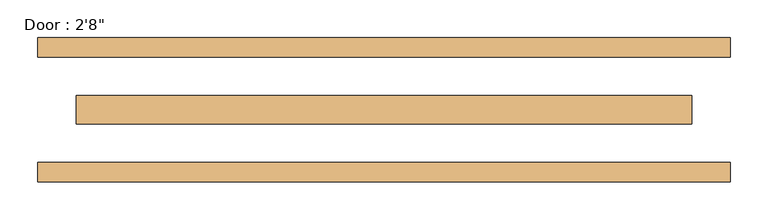
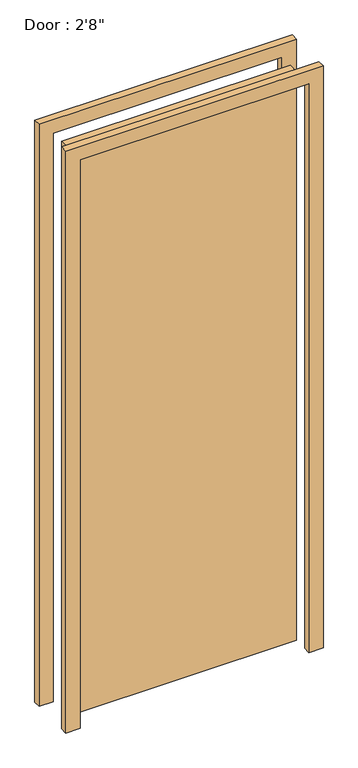
"""IFC4 building model written with IfcOpenShell, lengths in millimetres: door geometry."""

from ifc_helpers import new_model, si_unit, frame, origin, origin_with_axes, place, context, project, spatial, polyline, outline, extrude, source, transform, mapped, element, save


def door_e0c7cad0(model_context):
    return source(origin(), model_context, "Body", "SweptSolid", [
        extrude(outline(polyline([(-406.4, 19.05), (406.4, 19.05), (406.4, -19.05), (-406.4, -19.05), (-406.4, 19.05)])), origin_with_axes(), (0.0, 0.0, 1.0), 2133.6),
        extrude(outline(polyline([(2133.6, -406.4), (2133.6, 406.4), (0.0, 406.4), (0.0, 457.2), (2184.4, 457.2), (2184.4, -457.2), (0.0, -457.2), (0.0, -406.4), (2133.6, -406.4)])), frame((0.0, -95.25, 0.0), z_axis=(0.0, 1.0, 0.0), x_axis=(0.0, 0.0, 1.0)), (0.0, 0.0, 1.0), 25.4),
        extrude(outline(polyline([(2133.6, -406.4), (2133.6, 406.4), (0.0, 406.4), (0.0, 457.2), (2184.4, 457.2), (2184.4, -457.2), (0.0, -457.2), (0.0, -406.4), (2133.6, -406.4)])), frame((0.0, 69.85, 0.0), z_axis=(0.0, 1.0, 0.0), x_axis=(0.0, 0.0, 1.0)), (0.0, 0.0, 1.0), 25.4),
    ])


if __name__ == "__main__":
    model = new_model("IFC4")
    model_context = context("Model", 3, world=origin())
    ifc_project = project(units=[si_unit("LENGTHUNIT", "METRE", prefix="MILLI")], contexts=[model_context])
    site = spatial("IfcSite", under=ifc_project)
    building = spatial("IfcBuilding", under=site)
    placement = place(None, origin())
    door_shape = door_e0c7cad0(model_context)
    element("IfcDoor", 1, ObjectType="Door : 2'8\"", at=placement, inside=building, context=model_context, shape_type="MappedRepresentation", body=[
        mapped(door_shape, transform((0.0, 0.0, 0.0), x_axis=(1.0, 0.0, 0.0), y_axis=(0.0, 1.0, 0.0), z_axis=(0.0, 0.0, 1.0))),
    ])
    save(model, "model.ifc")
